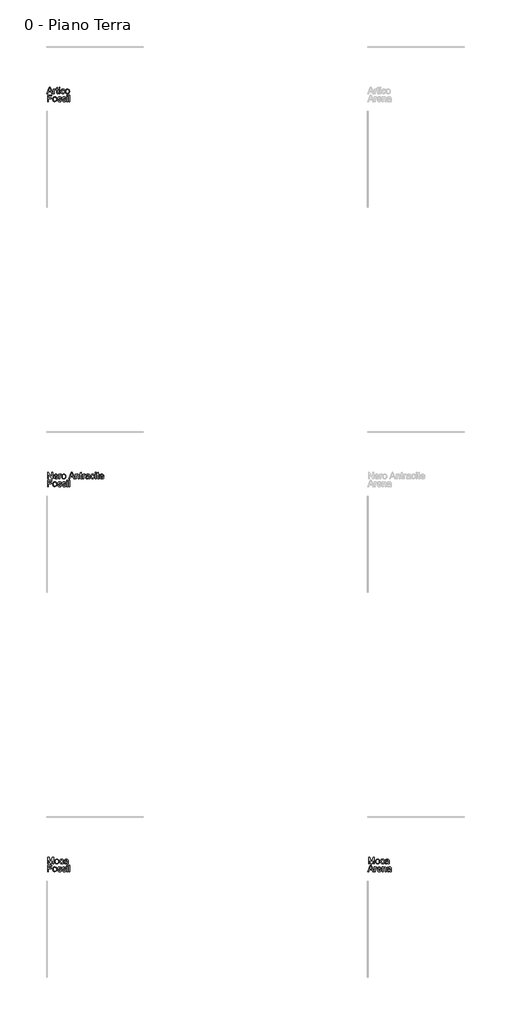
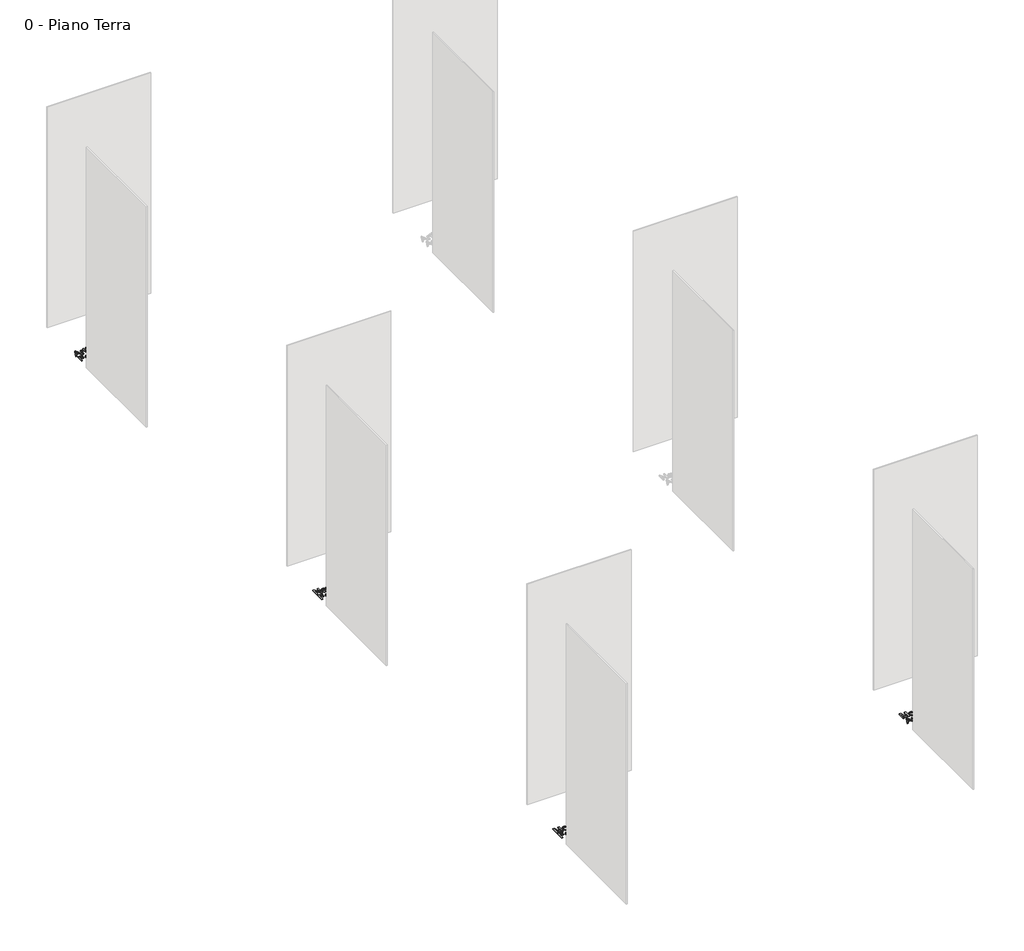
# One storey, part 10 of 35: 4 proxies.
"""IFC4 building model written with IfcOpenShell, lengths in millimetres."""

from ifc_helpers import new_model, si_unit, origin, origin_with_axes, place, context, project, spatial, polyline, outline, extrude, element, save

model = new_model("IFC4")

# Units and contexts
model_context = context("Model", 3, world=origin())
ifc_project = project(units=[si_unit("LENGTHUNIT", "METRE", prefix="MILLI")], contexts=[model_context])

# Site, building, storey
site = spatial("IfcSite", under=ifc_project)
building = spatial("IfcBuilding", under=site)
storey = spatial("IfcBuildingStorey", under=building, Name="0 - Piano Terra", Elevation=0.0)

# Proxies
placement = place(None, origin())
element("IfcBuildingElementProxy", 1, Name="Testo modello 1", ObjectType="Testo modello 1", at=placement, inside=storey, context=model_context, shape_type="SweptSolid", body=[
    extrude(outline(polyline([(-17279.9693984, -18273.7592352), (-17239.8702609, -18173.302925), (-17229.1771576, -18173.302925), (-17189.0780201, -18273.7592352), (-17202.3462974, -18273.7592352), (-17213.8487411, -18242.3666382), (-17255.2232028, -18242.3666382), (-17266.7011211, -18273.7592352), (-17279.9693984, -18273.7592352)]), holes=[polyline([(-17250.6124152, -18229.8095995), (-17218.4350033, -18229.8095995), (-17227.4849004, -18205.1124549), (-17234.5237092, -18185.8599638), (-17240.7777032, -18202.9542138), (-17250.6124152, -18229.8095995)])]), origin_with_axes(), (0.0, 0.0, 1.0), 10.0),
    extrude(outline(polyline([(-17177.2322199, -18273.7592352), (-17177.2322199, -18199.9866324), (-17166.2448109, -18199.9866324), (-17166.2448109, -18210.9004649), (-17158.4457126, -18200.8450237), (-17150.5975634, -18198.4170025), (-17137.9914737, -18202.2920262), (-17142.1853284, -18213.5492153), (-17151.0144963, -18210.9740413), (-17158.1146188, -18213.4511134), (-17162.6395674, -18220.318244), (-17164.6751811, -18234.9844729), (-17164.6751811, -18273.7592352), (-17177.2322199, -18273.7592352)])), origin_with_axes(), (0.0, 0.0, 1.0), 10.0),
    extrude(outline(polyline([(-17103.4596171, -18263.286861), (-17101.8899872, -18274.1271171), (-17111.2832408, -18275.328865), (-17121.8046659, -18273.2442004), (-17127.0531157, -18267.7750214), (-17128.5736946, -18253.5257254), (-17128.5736946, -18212.5436712), (-17137.9914737, -18212.5436712), (-17137.9914737, -18199.9866324), (-17128.5736946, -18199.9866324), (-17128.5736946, -18182.0585165), (-17116.0166559, -18174.6763511), (-17116.0166559, -18199.9866324), (-17103.4596171, -18199.9866324), (-17103.4596171, -18212.5436712), (-17116.0166559, -18212.5436712), (-17116.0166559, -18253.1578434), (-17115.3544683, -18259.6325665), (-17113.20849, -18261.9256976), (-17108.9287961, -18262.7718262), (-17103.4596171, -18263.286861)])), origin_with_axes(), (0.0, 0.0, 1.0), 10.0),
    extrude(outline(polyline([(-17090.9025783, -18185.8599638), (-17090.9025783, -18173.302925), (-17078.3455395, -18173.302925), (-17078.3455395, -18185.8599638), (-17090.9025783, -18185.8599638)])), origin_with_axes(), (0.0, 0.0, 1.0), 10.0),
    extrude(outline(polyline([(-17090.9025783, -18273.7592352), (-17090.9025783, -18199.9866324), (-17078.3455395, -18199.9866324), (-17078.3455395, -18273.7592352), (-17090.9025783, -18273.7592352)])), origin_with_axes(), (0.0, 0.0, 1.0), 10.0),
    extrude(outline(polyline([(-17012.421086, -18247.0755278), (-16999.8640472, -18248.6451576), (-17003.3650576, -18259.8134419), (-17009.9440139, -18268.253268), (-17018.9816483, -18273.5599657), (-17029.8586926, -18275.328865), (-17043.2158747, -18272.8609899), (-17053.6606577, -18265.4573648), (-17060.4020952, -18253.442952), (-17062.6492411, -18237.1427139), (-17058.8110056, -18216.2838048), (-17047.1123582, -18202.8806374), (-17030.0303708, -18198.4170025), (-17019.420041, -18199.9498442), (-17010.9372953, -18204.5483691), (-17004.851914, -18211.9673227), (-17001.4336771, -18221.9614502), (-17013.9907159, -18223.5310801), (-17019.8155141, -18214.1255637), (-17029.932269, -18210.9740413), (-17038.0471327, -18212.5252771), (-17044.4881333, -18217.1789843), (-17048.6911851, -18225.1865491), (-17050.0922023, -18236.7993574), (-17048.7218419, -18248.5685155), (-17044.6107606, -18256.6036714), (-17038.286256, -18261.2297875), (-17030.2756255, -18262.7718262), (-17018.442088, -18258.921328), (-17012.421086, -18247.0755278)])), origin_with_axes(), (0.0, 0.0, 1.0), 10.0),
    extrude(outline(polyline([(-16992.015898, -18236.8729338), (-16989.2997026, -18219.0858393), (-16981.1511164, -18206.5839828), (-16971.0834125, -18200.4587476), (-16959.0291458, -18198.4170025), (-16945.8375106, -18200.9032717), (-16935.3007571, -18208.3620791), (-16928.3937726, -18220.2048137), (-16926.0914445, -18235.8428642), (-16930.1626719, -18258.185564), (-16942.0207349, -18270.8284419), (-16959.0291458, -18275.328865), (-16972.3801965, -18272.8517929), (-16982.9046873, -18265.4205766), (-16989.7380953, -18253.3295217), (-16992.015898, -18236.8729338)]), holes=[polyline([(-16979.4588592, -18236.8484083), (-16978.0057254, -18248.2128963), (-16973.6463237, -18256.3093658), (-16967.0857615, -18261.1562111), (-16959.0291458, -18262.7718262), (-16951.0093183, -18261.1470141), (-16944.4610188, -18256.2725776), (-16940.1016171, -18248.0688092), (-16938.6484832, -18236.4560008), (-16940.1108142, -18225.4226067), (-16944.497807, -18217.4365017), (-16951.0553035, -18212.5896564), (-16959.0291458, -18210.9740413), (-16967.0857615, -18212.583525), (-16973.6463237, -18217.4119762), (-16978.0057254, -18225.4900517), (-16979.4588592, -18236.8484083)])]), origin_with_axes(), (0.0, 0.0, 1.0), 10.0),
    extrude(outline(polyline([(-17268.2707509, -18395.734053), (-17268.2707509, -18295.2777428), (-17200.7766675, -18295.2777428), (-17200.7766675, -18307.8347816), (-17255.7137122, -18307.8347816), (-17255.7137122, -18337.6577487), (-17208.6248168, -18337.6577487), (-17208.6248168, -18350.2147875), (-17255.7137122, -18350.2147875), (-17255.7137122, -18395.734053), (-17268.2707509, -18395.734053)])), origin_with_axes(), (0.0, 0.0, 1.0), 10.0),
    extrude(outline(polyline([(-17188.2196288, -18358.8477516), (-17185.5034334, -18341.0606571), (-17177.3548472, -18328.5588007), (-17167.2871432, -18322.4335655), (-17155.2328765, -18320.3918204), (-17142.0412413, -18322.8780895), (-17131.5044879, -18330.336897), (-17124.5975034, -18342.1796315), (-17122.2951752, -18357.817682), (-17126.3664027, -18380.1603819), (-17138.2244656, -18392.8032598), (-17155.2328765, -18397.3036828), (-17168.5839273, -18394.8266107), (-17179.108418, -18387.3953944), (-17185.9418261, -18375.3043395), (-17188.2196288, -18358.8477516)]), holes=[polyline([(-17175.66259, -18358.8232261), (-17174.2094561, -18370.1877141), (-17169.8500545, -18378.2841837), (-17163.2894922, -18383.131029), (-17155.2328765, -18384.7466441), (-17147.213049, -18383.1218319), (-17140.6647495, -18378.2473955), (-17136.3053479, -18370.043627), (-17134.852214, -18358.4308187), (-17136.3145449, -18347.3974245), (-17140.7015377, -18339.4113195), (-17147.2590343, -18334.5644742), (-17155.2328765, -18332.9488592), (-17163.2894922, -18334.5583429), (-17169.8500545, -18339.3867941), (-17174.2094561, -18347.4648695), (-17175.66259, -18358.8232261)])]), origin_with_axes(), (0.0, 0.0, 1.0), 10.0),
    extrude(outline(polyline([(-17112.8773962, -18373.7592352), (-17100.3203574, -18372.1896053), (-17094.5078219, -18381.5092825), (-17081.1904936, -18384.7466441), (-17068.3882002, -18381.7790626), (-17064.2188709, -18374.8138302), (-17068.4127257, -18369.1729729), (-17081.3376464, -18365.5922549), (-17100.246781, -18359.4486255), (-17108.4996004, -18352.2749266), (-17111.3077663, -18342.145909), (-17109.0514234, -18332.7894436), (-17102.8955314, -18325.6402702), (-17094.9124921, -18321.924662), (-17084.1090241, -18320.3918204), (-17068.8296586, -18322.8566298), (-17059.1175739, -18329.5275566), (-17054.8010919, -18340.7970084), (-17067.3581306, -18342.3666382), (-17072.0792829, -18335.438194), (-17083.1280055, -18332.9488592), (-17095.145484, -18335.3278294), (-17098.7507275, -18340.8705848), (-17097.2546741, -18344.5248793), (-17092.57031, -18347.296257), (-17081.7545794, -18349.9695328), (-17063.3236914, -18355.8801702), (-17054.7643037, -18362.5756225), (-17051.6618322, -18373.489455), (-17055.3038639, -18385.5069335), (-17065.8130262, -18394.2257368), (-17081.3621719, -18397.3036828), (-17094.0234439, -18395.8198921), (-17103.2634134, -18391.36852), (-17109.4315681, -18383.9986174), (-17112.8773962, -18373.7592352)])), origin_with_axes(), (0.0, 0.0, 1.0), 10.0),
    extrude(outline(polyline([(-17042.2440531, -18373.7592352), (-17029.6870143, -18372.1896053), (-17023.8744788, -18381.5092825), (-17010.5571506, -18384.7466441), (-16997.7548571, -18381.7790626), (-16993.5855279, -18374.8138302), (-16997.7793826, -18369.1729729), (-17010.7043034, -18365.5922549), (-17029.6134379, -18359.4486255), (-17037.8662573, -18352.2749266), (-17040.6744232, -18342.145909), (-17038.4180803, -18332.7894436), (-17032.2621883, -18325.6402702), (-17024.279149, -18321.924662), (-17013.4756811, -18320.3918204), (-16998.1963155, -18322.8566298), (-16988.4842309, -18329.5275566), (-16984.1677488, -18340.7970084), (-16996.7247876, -18342.3666382), (-17001.4459398, -18335.438194), (-17012.4946624, -18332.9488592), (-17024.5121409, -18335.3278294), (-17028.1173845, -18340.8705848), (-17026.621331, -18344.5248793), (-17021.936967, -18347.296257), (-17011.1212363, -18349.9695328), (-16992.6903483, -18355.8801702), (-16984.1309606, -18362.5756225), (-16981.0284891, -18373.489455), (-16984.6705208, -18385.5069335), (-16995.1796832, -18394.2257368), (-17010.7288288, -18397.3036828), (-17023.3901008, -18395.8198921), (-17032.6300703, -18391.36852), (-17038.7982251, -18383.9986174), (-17042.2440531, -18373.7592352)])), origin_with_axes(), (0.0, 0.0, 1.0), 10.0),
    extrude(outline(polyline([(-16966.9018205, -18307.8347816), (-16966.9018205, -18295.2777428), (-16954.3447817, -18295.2777428), (-16954.3447817, -18307.8347816), (-16966.9018205, -18307.8347816)])), origin_with_axes(), (0.0, 0.0, 1.0), 10.0),
    extrude(outline(polyline([(-16966.9018205, -18395.734053), (-16966.9018205, -18321.9614502), (-16954.3447817, -18321.9614502), (-16954.3447817, -18395.734053), (-16966.9018205, -18395.734053)])), origin_with_axes(), (0.0, 0.0, 1.0), 10.0),
    extrude(outline(polyline([(-16935.5092236, -18395.734053), (-16935.5092236, -18295.2777428), (-16922.9521848, -18295.2777428), (-16922.9521848, -18395.734053), (-16935.5092236, -18395.734053)])), origin_with_axes(), (0.0, 0.0, 1.0), 10.0),
])
element("IfcBuildingElementProxy", 2, Name="Testo modello 1", ObjectType="Testo modello 1", at=placement, inside=storey, context=model_context, shape_type="SweptSolid", body=[
    extrude(outline(polyline([(-17268.2707509, -24273.7592352), (-17268.2707509, -24173.302925), (-17254.8307954, -24173.302925), (-17202.3462974, -24252.8880633), (-17202.3462974, -24173.302925), (-17189.7892586, -24173.302925), (-17189.7892586, -24273.7592352), (-17203.2292142, -24273.7592352), (-17255.7137122, -24194.1495714), (-17255.7137122, -24273.7592352), (-17268.2707509, -24273.7592352)])), origin_with_axes(), (0.0, 0.0, 1.0), 10.0),
    extrude(outline(polyline([(-17117.7334385, -24251.7844173), (-17105.4216544, -24253.3540472), (-17109.8576981, -24262.6308048), (-17116.9363608, -24269.5653804), (-17126.498227, -24273.8879938), (-17138.3838812, -24275.328865), (-17153.1175551, -24272.8425958), (-17164.4544519, -24265.3837884), (-17171.6833331, -24253.4368206), (-17174.0929602, -24237.4860704), (-17171.6588076, -24220.9988257), (-17164.35635, -24208.6686475), (-17153.1727374, -24200.9799138), (-17139.0951197, -24198.4170025), (-17125.4558947, -24200.9737824), (-17114.5573906, -24208.644122), (-17107.4112829, -24220.9497747), (-17105.0292469, -24237.412494), (-17105.1028233, -24240.7970084), (-17161.5359214, -24240.7970084), (-17159.3623519, -24250.1963934), (-17154.3131716, -24257.1064435), (-17147.0260424, -24261.3554805), (-17138.1386265, -24262.7718262), (-17125.8268424, -24260.1476013), (-17117.7334385, -24251.7844173)]), holes=[polyline([(-17161.5359214, -24228.2399696), (-17117.5862857, -24228.2399696), (-17122.6140063, -24216.8601532), (-17129.934858, -24212.4455693), (-17139.1441706, -24210.9740413), (-17154.6074771, -24215.6706681), (-17159.4727165, -24221.1613069), (-17161.5359214, -24228.2399696)])]), origin_with_axes(), (0.0, 0.0, 1.0), 10.0),
    extrude(outline(polyline([(-17092.4722082, -24273.7592352), (-17092.4722082, -24199.9866324), (-17081.4847992, -24199.9866324), (-17081.4847992, -24210.9004649), (-17073.6857009, -24200.8450237), (-17065.8375517, -24198.4170025), (-17053.231462, -24202.2920262), (-17057.4253168, -24213.5492153), (-17066.2544846, -24210.9740413), (-17073.3546071, -24213.4511134), (-17077.8795557, -24220.318244), (-17079.9151694, -24234.9844729), (-17079.9151694, -24273.7592352), (-17092.4722082, -24273.7592352)])), origin_with_axes(), (0.0, 0.0, 1.0), 10.0),
    extrude(outline(polyline([(-17048.5225725, -24236.8729338), (-17045.8063771, -24219.0858393), (-17037.6577909, -24206.5839828), (-17027.5900869, -24200.4587476), (-17015.5358202, -24198.4170025), (-17002.344185, -24200.9032717), (-16991.8074315, -24208.3620791), (-16984.9004471, -24220.2048137), (-16982.5981189, -24235.8428642), (-16986.6693463, -24258.185564), (-16998.5274093, -24270.8284419), (-17015.5358202, -24275.328865), (-17028.886871, -24272.8517929), (-17039.4113617, -24265.4205766), (-17046.2447698, -24253.3295217), (-17048.5225725, -24236.8729338)]), holes=[polyline([(-17035.9655337, -24236.8484083), (-17034.5123998, -24248.2128963), (-17030.1529982, -24256.3093658), (-17023.5924359, -24261.1562111), (-17015.5358202, -24262.7718262), (-17007.5159927, -24261.1470141), (-17000.9676932, -24256.2725776), (-16996.6082916, -24248.0688092), (-16995.1551577, -24236.4560008), (-16996.6174886, -24225.4226067), (-17001.0044814, -24217.4365017), (-17007.561978, -24212.5896564), (-17015.5358202, -24210.9740413), (-17023.5924359, -24212.583525), (-17030.1529982, -24217.4119762), (-17034.5123998, -24225.4900517), (-17035.9655337, -24236.8484083)])]), origin_with_axes(), (0.0, 0.0, 1.0), 10.0),
    extrude(outline(polyline([(-16939.3597218, -24273.7592352), (-16899.2605843, -24173.302925), (-16888.567481, -24173.302925), (-16848.4683435, -24273.7592352), (-16861.7366208, -24273.7592352), (-16873.2390645, -24242.3666382), (-16914.6135262, -24242.3666382), (-16926.0914445, -24273.7592352), (-16939.3597218, -24273.7592352)]), holes=[polyline([(-16910.0027386, -24229.8095995), (-16877.8253267, -24229.8095995), (-16886.8752238, -24205.1124549), (-16893.9140326, -24185.8599638), (-16900.1680266, -24202.9542138), (-16910.0027386, -24229.8095995)])]), origin_with_axes(), (0.0, 0.0, 1.0), 10.0),
    extrude(outline(polyline([(-16836.6225433, -24273.7592352), (-16836.6225433, -24199.9866324), (-16824.0655045, -24199.9866324), (-16824.0655045, -24210.2873283), (-16814.4637844, -24201.384584), (-16801.3549226, -24198.4170025), (-16789.4968597, -24200.8082355), (-16781.4034558, -24207.0867549), (-16777.6387967, -24216.320593), (-16776.9766091, -24228.4606988), (-16776.9766091, -24273.7592352), (-16789.5336479, -24273.7592352), (-16789.5336479, -24230.152956), (-16790.9806504, -24219.0429197), (-16796.0942101, -24213.1690705), (-16804.7149115, -24210.9740413), (-16818.3388081, -24215.90366), (-16822.6338304, -24223.0467021), (-16824.0655045, -24234.6165909), (-16824.0655045, -24273.7592352), (-16836.6225433, -24273.7592352)])), origin_with_axes(), (0.0, 0.0, 1.0), 10.0),
    extrude(outline(polyline([(-16733.0269734, -24263.286861), (-16731.4573436, -24274.1271171), (-16740.8505972, -24275.328865), (-16751.3720222, -24273.2442004), (-16756.620472, -24267.7750214), (-16758.1410509, -24253.5257254), (-16758.1410509, -24212.5436712), (-16767.55883, -24212.5436712), (-16767.55883, -24199.9866324), (-16758.1410509, -24199.9866324), (-16758.1410509, -24182.0585165), (-16745.5840122, -24174.6763511), (-16745.5840122, -24199.9866324), (-16733.0269734, -24199.9866324), (-16733.0269734, -24212.5436712), (-16745.5840122, -24212.5436712), (-16745.5840122, -24253.1578434), (-16744.9218246, -24259.6325665), (-16742.7758463, -24261.9256976), (-16738.4961524, -24262.7718262), (-16733.0269734, -24263.286861)])), origin_with_axes(), (0.0, 0.0, 1.0), 10.0),
    extrude(outline(polyline([(-16720.4699346, -24273.7592352), (-16720.4699346, -24199.9866324), (-16709.4825257, -24199.9866324), (-16709.4825257, -24210.9004649), (-16701.6834274, -24200.8450237), (-16693.8352782, -24198.4170025), (-16681.2291885, -24202.2920262), (-16685.4230432, -24213.5492153), (-16694.2522111, -24210.9740413), (-16701.3523336, -24213.4511134), (-16705.8772822, -24220.318244), (-16707.9128959, -24234.9844729), (-16707.9128959, -24273.7592352), (-16720.4699346, -24273.7592352)])), origin_with_axes(), (0.0, 0.0, 1.0), 10.0),
    extrude(outline(polyline([(-16626.2921439, -24264.3414561), (-16638.4690379, -24272.8517929), (-16651.9212562, -24275.328865), (-16662.4150901, -24273.8389429), (-16670.1559404, -24269.3691767), (-16674.9292093, -24262.5817539), (-16676.5202989, -24254.1388621), (-16674.1168032, -24244.2060482), (-16667.8014957, -24236.9955611), (-16659.009116, -24232.8752828), (-16648.1443344, -24230.9868218), (-16626.3657203, -24226.6703398), (-16626.2921439, -24223.8744366), (-16629.7502346, -24214.6038103), (-16643.6316486, -24210.9740413), (-16656.3358401, -24213.3897997), (-16662.3936303, -24221.9614502), (-16674.9506691, -24220.3918204), (-16669.5182783, -24208.1290872), (-16658.5799203, -24200.9431256), (-16642.0129678, -24198.4170025), (-16626.7949159, -24200.64882), (-16618.19874, -24206.252889), (-16614.3482418, -24214.7754886), (-16613.7351051, -24225.7628975), (-16613.7351051, -24241.3856196), (-16613.097443, -24263.2010219), (-16610.5958454, -24273.7592352), (-16623.1528842, -24273.7592352), (-16626.2921439, -24264.3414561)]), holes=[polyline([(-16626.2921439, -24239.2273785), (-16646.5501791, -24243.0778768), (-16657.353647, -24245.1134905), (-16662.2464775, -24248.4244284), (-16663.9632602, -24253.2559453), (-16660.2231266, -24260.0494995), (-16649.2479804, -24262.7718262), (-16636.5437888, -24259.7674566), (-16628.352283, -24252.4956558), (-16626.3657203, -24242.7835712), (-16626.2921439, -24239.2273785)])]), origin_with_axes(), (0.0, 0.0, 1.0), 10.0),
    extrude(outline(polyline([(-16549.3802814, -24247.0755278), (-16536.8232426, -24248.6451576), (-16540.324253, -24259.8134419), (-16546.9032093, -24268.253268), (-16555.9408437, -24273.5599657), (-16566.817888, -24275.328865), (-16580.1750701, -24272.8609899), (-16590.6198531, -24265.4573648), (-16597.3612906, -24253.442952), (-16599.6084365, -24237.1427139), (-16595.770201, -24216.2838048), (-16584.0715536, -24202.8806374), (-16566.9895663, -24198.4170025), (-16556.3792364, -24199.9498442), (-16547.8964907, -24204.5483691), (-16541.8111094, -24211.9673227), (-16538.3928725, -24221.9614502), (-16550.9499113, -24223.5310801), (-16556.7747095, -24214.1255637), (-16566.8914644, -24210.9740413), (-16575.0063281, -24212.5252771), (-16581.4473287, -24217.1789843), (-16585.6503805, -24225.1865491), (-16587.0513977, -24236.7993574), (-16585.6810373, -24248.5685155), (-16581.569956, -24256.6036714), (-16575.2454514, -24261.2297875), (-16567.2348209, -24262.7718262), (-16555.4012834, -24258.921328), (-16549.3802814, -24247.0755278)])), origin_with_axes(), (0.0, 0.0, 1.0), 10.0),
    extrude(outline(polyline([(-16525.8358337, -24273.7592352), (-16525.8358337, -24199.9866324), (-16513.278795, -24199.9866324), (-16513.278795, -24273.7592352), (-16525.8358337, -24273.7592352)])), origin_with_axes(), (0.0, 0.0, 1.0), 10.0),
    extrude(outline(polyline([(-16525.8358337, -24185.8599638), (-16525.8358337, -24173.302925), (-16513.278795, -24173.302925), (-16513.278795, -24185.8599638), (-16525.8358337, -24185.8599638)])), origin_with_axes(), (0.0, 0.0, 1.0), 10.0),
    extrude(outline(polyline([(-16467.7595294, -24263.286861), (-16466.1898996, -24274.1271171), (-16475.5831532, -24275.328865), (-16486.1045782, -24273.2442004), (-16491.353028, -24267.7750214), (-16492.873607, -24253.5257254), (-16492.873607, -24212.5436712), (-16502.291386, -24212.5436712), (-16502.291386, -24199.9866324), (-16492.873607, -24199.9866324), (-16492.873607, -24182.0585165), (-16480.3165682, -24174.6763511), (-16480.3165682, -24199.9866324), (-16467.7595294, -24199.9866324), (-16467.7595294, -24212.5436712), (-16480.3165682, -24212.5436712), (-16480.3165682, -24253.1578434), (-16479.6543806, -24259.6325665), (-16477.5084023, -24261.9256976), (-16473.2287084, -24262.7718262), (-16467.7595294, -24263.286861)])), origin_with_axes(), (0.0, 0.0, 1.0), 10.0),
    extrude(outline(polyline([(-16403.5518585, -24251.7844173), (-16391.2400744, -24253.3540472), (-16395.6761181, -24262.6308048), (-16402.7547809, -24269.5653804), (-16412.3166471, -24273.8879938), (-16424.2023012, -24275.328865), (-16438.9359751, -24272.8425958), (-16450.2728719, -24265.3837884), (-16457.5017531, -24253.4368206), (-16459.9113802, -24237.4860704), (-16457.4772277, -24220.9988257), (-16450.1747701, -24208.6686475), (-16438.9911574, -24200.9799138), (-16424.9135397, -24198.4170025), (-16411.2743147, -24200.9737824), (-16400.3758106, -24208.644122), (-16393.2297029, -24220.9497747), (-16390.847667, -24237.412494), (-16390.9212434, -24240.7970084), (-16447.3543414, -24240.7970084), (-16445.180772, -24250.1963934), (-16440.1315916, -24257.1064435), (-16432.8444624, -24261.3554805), (-16423.9570465, -24262.7718262), (-16411.6452624, -24260.1476013), (-16403.5518585, -24251.7844173)]), holes=[polyline([(-16447.3543414, -24228.2399696), (-16403.4047057, -24228.2399696), (-16408.4324263, -24216.8601532), (-16415.753278, -24212.4455693), (-16424.9625906, -24210.9740413), (-16440.4258972, -24215.6706681), (-16445.2911366, -24221.1613069), (-16447.3543414, -24228.2399696)])]), origin_with_axes(), (0.0, 0.0, 1.0), 10.0),
    extrude(outline(polyline([(-17268.2707509, -24395.734053), (-17268.2707509, -24295.2777428), (-17200.7766675, -24295.2777428), (-17200.7766675, -24307.8347816), (-17255.7137122, -24307.8347816), (-17255.7137122, -24337.6577487), (-17208.6248168, -24337.6577487), (-17208.6248168, -24350.2147875), (-17255.7137122, -24350.2147875), (-17255.7137122, -24395.734053), (-17268.2707509, -24395.734053)])), origin_with_axes(), (0.0, 0.0, 1.0), 10.0),
    extrude(outline(polyline([(-17188.2196288, -24358.8477516), (-17185.5034334, -24341.0606571), (-17177.3548472, -24328.5588007), (-17167.2871432, -24322.4335655), (-17155.2328765, -24320.3918204), (-17142.0412413, -24322.8780895), (-17131.5044879, -24330.336897), (-17124.5975034, -24342.1796315), (-17122.2951752, -24357.817682), (-17126.3664027, -24380.1603819), (-17138.2244656, -24392.8032598), (-17155.2328765, -24397.3036828), (-17168.5839273, -24394.8266107), (-17179.108418, -24387.3953944), (-17185.9418261, -24375.3043395), (-17188.2196288, -24358.8477516)]), holes=[polyline([(-17175.66259, -24358.8232261), (-17174.2094561, -24370.1877141), (-17169.8500545, -24378.2841837), (-17163.2894922, -24383.131029), (-17155.2328765, -24384.7466441), (-17147.213049, -24383.1218319), (-17140.6647495, -24378.2473955), (-17136.3053479, -24370.043627), (-17134.852214, -24358.4308187), (-17136.3145449, -24347.3974245), (-17140.7015377, -24339.4113195), (-17147.2590343, -24334.5644742), (-17155.2328765, -24332.9488592), (-17163.2894922, -24334.5583429), (-17169.8500545, -24339.3867941), (-17174.2094561, -24347.4648695), (-17175.66259, -24358.8232261)])]), origin_with_axes(), (0.0, 0.0, 1.0), 10.0),
    extrude(outline(polyline([(-17112.8773962, -24373.7592352), (-17100.3203574, -24372.1896053), (-17094.5078219, -24381.5092825), (-17081.1904936, -24384.7466441), (-17068.3882002, -24381.7790626), (-17064.2188709, -24374.8138302), (-17068.4127257, -24369.1729729), (-17081.3376464, -24365.5922549), (-17100.246781, -24359.4486255), (-17108.4996004, -24352.2749266), (-17111.3077663, -24342.145909), (-17109.0514234, -24332.7894436), (-17102.8955314, -24325.6402702), (-17094.9124921, -24321.924662), (-17084.1090241, -24320.3918204), (-17068.8296586, -24322.8566298), (-17059.1175739, -24329.5275566), (-17054.8010919, -24340.7970084), (-17067.3581306, -24342.3666382), (-17072.0792829, -24335.438194), (-17083.1280055, -24332.9488592), (-17095.145484, -24335.3278294), (-17098.7507275, -24340.8705848), (-17097.2546741, -24344.5248793), (-17092.57031, -24347.296257), (-17081.7545794, -24349.9695328), (-17063.3236914, -24355.8801702), (-17054.7643037, -24362.5756225), (-17051.6618322, -24373.489455), (-17055.3038639, -24385.5069335), (-17065.8130262, -24394.2257368), (-17081.3621719, -24397.3036828), (-17094.0234439, -24395.8198921), (-17103.2634134, -24391.36852), (-17109.4315681, -24383.9986174), (-17112.8773962, -24373.7592352)])), origin_with_axes(), (0.0, 0.0, 1.0), 10.0),
    extrude(outline(polyline([(-17042.2440531, -24373.7592352), (-17029.6870143, -24372.1896053), (-17023.8744788, -24381.5092825), (-17010.5571506, -24384.7466441), (-16997.7548571, -24381.7790626), (-16993.5855279, -24374.8138302), (-16997.7793826, -24369.1729729), (-17010.7043034, -24365.5922549), (-17029.6134379, -24359.4486255), (-17037.8662573, -24352.2749266), (-17040.6744232, -24342.145909), (-17038.4180803, -24332.7894436), (-17032.2621883, -24325.6402702), (-17024.279149, -24321.924662), (-17013.4756811, -24320.3918204), (-16998.1963155, -24322.8566298), (-16988.4842309, -24329.5275566), (-16984.1677488, -24340.7970084), (-16996.7247876, -24342.3666382), (-17001.4459398, -24335.438194), (-17012.4946624, -24332.9488592), (-17024.5121409, -24335.3278294), (-17028.1173845, -24340.8705848), (-17026.621331, -24344.5248793), (-17021.936967, -24347.296257), (-17011.1212363, -24349.9695328), (-16992.6903483, -24355.8801702), (-16984.1309606, -24362.5756225), (-16981.0284891, -24373.489455), (-16984.6705208, -24385.5069335), (-16995.1796832, -24394.2257368), (-17010.7288288, -24397.3036828), (-17023.3901008, -24395.8198921), (-17032.6300703, -24391.36852), (-17038.7982251, -24383.9986174), (-17042.2440531, -24373.7592352)])), origin_with_axes(), (0.0, 0.0, 1.0), 10.0),
    extrude(outline(polyline([(-16966.9018205, -24307.8347816), (-16966.9018205, -24295.2777428), (-16954.3447817, -24295.2777428), (-16954.3447817, -24307.8347816), (-16966.9018205, -24307.8347816)])), origin_with_axes(), (0.0, 0.0, 1.0), 10.0),
    extrude(outline(polyline([(-16966.9018205, -24395.734053), (-16966.9018205, -24321.9614502), (-16954.3447817, -24321.9614502), (-16954.3447817, -24395.734053), (-16966.9018205, -24395.734053)])), origin_with_axes(), (0.0, 0.0, 1.0), 10.0),
    extrude(outline(polyline([(-16935.5092236, -24395.734053), (-16935.5092236, -24295.2777428), (-16922.9521848, -24295.2777428), (-16922.9521848, -24395.734053), (-16935.5092236, -24395.734053)])), origin_with_axes(), (0.0, 0.0, 1.0), 10.0),
])
element("IfcBuildingElementProxy", 3, Name="Testo modello 1", ObjectType="Testo modello 1", at=placement, inside=storey, context=model_context, shape_type="SweptSolid", body=[
    extrude(outline(polyline([(-12268.2707509, -30273.7592352), (-12268.2707509, -30173.302925), (-12246.6638151, -30173.302925), (-12226.1114743, -30244.1079463), (-12221.9666705, -30258.8968025), (-12217.4785101, -30242.881673), (-12197.2695259, -30173.302925), (-12175.66259, -30173.302925), (-12175.66259, -30273.7592352), (-12188.2196288, -30273.7592352), (-12188.2196288, -30185.8599638), (-12213.4563336, -30273.7592352), (-12230.4770073, -30273.7592352), (-12255.7137122, -30185.8599638), (-12255.7137122, -30273.7592352), (-12268.2707509, -30273.7592352)])), origin_with_axes(), (0.0, 0.0, 1.0), 10.0),
    extrude(outline(polyline([(-12158.3966617, -30236.8729338), (-12155.6804663, -30219.0858393), (-12147.5318801, -30206.5839828), (-12137.4641762, -30200.4587476), (-12125.4099095, -30198.4170025), (-12112.2182743, -30200.9032717), (-12101.6815208, -30208.3620791), (-12094.7745363, -30220.2048137), (-12092.4722082, -30235.8428642), (-12096.5434356, -30258.185564), (-12108.4014986, -30270.8284419), (-12125.4099095, -30275.328865), (-12138.7609602, -30272.8517929), (-12149.285451, -30265.4205766), (-12156.118859, -30253.3295217), (-12158.3966617, -30236.8729338)]), holes=[polyline([(-12145.8396229, -30236.8484083), (-12144.386489, -30248.2128963), (-12140.0270874, -30256.3093658), (-12133.4665252, -30261.1562111), (-12125.4099095, -30262.7718262), (-12117.390082, -30261.1470141), (-12110.8417825, -30256.2725776), (-12106.4823808, -30248.0688092), (-12105.0292469, -30236.4560008), (-12106.4915779, -30225.4226067), (-12110.8785707, -30217.4365017), (-12117.4360672, -30212.5896564), (-12125.4099095, -30210.9740413), (-12133.4665252, -30212.583525), (-12140.0270874, -30217.4119762), (-12144.386489, -30225.4900517), (-12145.8396229, -30236.8484083)])]), origin_with_axes(), (0.0, 0.0, 1.0), 10.0),
    extrude(outline(polyline([(-12031.2566442, -30247.0755278), (-12018.6996054, -30248.6451576), (-12022.2006157, -30259.8134419), (-12028.7795721, -30268.253268), (-12037.8172064, -30273.5599657), (-12048.6942507, -30275.328865), (-12062.0514328, -30272.8609899), (-12072.4962158, -30265.4573648), (-12079.2376534, -30253.442952), (-12081.4847992, -30237.1427139), (-12077.6465638, -30216.2838048), (-12065.9479163, -30202.8806374), (-12048.865929, -30198.4170025), (-12038.2555991, -30199.9498442), (-12029.7728535, -30204.5483691), (-12023.6874721, -30211.9673227), (-12020.2692352, -30221.9614502), (-12032.826274, -30223.5310801), (-12038.6510723, -30214.1255637), (-12048.7678271, -30210.9740413), (-12056.8826908, -30212.5252771), (-12063.3236914, -30217.1789843), (-12067.5267432, -30225.1865491), (-12068.9277605, -30236.7993574), (-12067.5574, -30248.5685155), (-12063.4463187, -30256.6036714), (-12057.1218141, -30261.2297875), (-12049.1111837, -30262.7718262), (-12037.2776462, -30258.921328), (-12031.2566442, -30247.0755278)])), origin_with_axes(), (0.0, 0.0, 1.0), 10.0),
    extrude(outline(polyline([(-11960.6233011, -30264.3414561), (-11972.8001951, -30272.8517929), (-11986.2524134, -30275.328865), (-11996.7462473, -30273.8389429), (-12004.4870976, -30269.3691767), (-12009.2603665, -30262.5817539), (-12010.8514562, -30254.1388621), (-12008.4479605, -30244.2060482), (-12002.1326529, -30236.9955611), (-11993.3402732, -30232.8752828), (-11982.4754916, -30230.9868218), (-11960.6968775, -30226.6703398), (-11960.6233011, -30223.8744366), (-11964.0813918, -30214.6038103), (-11977.9628058, -30210.9740413), (-11990.6669974, -30213.3897997), (-11996.7247876, -30221.9614502), (-12009.2818263, -30220.3918204), (-12003.8494355, -30208.1290872), (-11992.9110775, -30200.9431256), (-11976.344125, -30198.4170025), (-11961.1260732, -30200.64882), (-11952.5298972, -30206.252889), (-11948.679399, -30214.7754886), (-11948.0662623, -30225.7628975), (-11948.0662623, -30241.3856196), (-11947.4286002, -30263.2010219), (-11944.9270026, -30273.7592352), (-11957.4840414, -30273.7592352), (-11960.6233011, -30264.3414561)]), holes=[polyline([(-11960.6233011, -30239.2273785), (-11980.8813363, -30243.0778768), (-11991.6848042, -30245.1134905), (-11996.5776348, -30248.4244284), (-11998.2944174, -30253.2559453), (-11994.5542838, -30260.0494995), (-11983.5791376, -30262.7718262), (-11970.874946, -30259.7674566), (-11962.6834403, -30252.4956558), (-11960.6968775, -30242.7835712), (-11960.6233011, -30239.2273785)])]), origin_with_axes(), (0.0, 0.0, 1.0), 10.0),
    extrude(outline(polyline([(-12279.9693984, -30395.734053), (-12239.8702609, -30295.2777428), (-12229.1771576, -30295.2777428), (-12189.0780201, -30395.734053), (-12202.3462974, -30395.734053), (-12213.8487411, -30364.3414561), (-12255.2232028, -30364.3414561), (-12266.7011211, -30395.734053), (-12279.9693984, -30395.734053)]), holes=[polyline([(-12250.6124152, -30351.7844173), (-12218.4350033, -30351.7844173), (-12227.4849004, -30327.0872727), (-12234.5237092, -30307.8347816), (-12240.7777032, -30324.9290317), (-12250.6124152, -30351.7844173)])]), origin_with_axes(), (0.0, 0.0, 1.0), 10.0),
    extrude(outline(polyline([(-12177.2322199, -30395.734053), (-12177.2322199, -30321.9614502), (-12166.2448109, -30321.9614502), (-12166.2448109, -30332.8752828), (-12158.4457126, -30322.8198416), (-12150.5975634, -30320.3918204), (-12137.9914737, -30324.2668441), (-12142.1853284, -30335.5240331), (-12151.0144963, -30332.9488592), (-12158.1146188, -30335.4259313), (-12162.6395674, -30342.2930618), (-12164.6751811, -30356.9592907), (-12164.6751811, -30395.734053), (-12177.2322199, -30395.734053)])), origin_with_axes(), (0.0, 0.0, 1.0), 10.0),
    extrude(outline(polyline([(-12078.4926923, -30373.7592352), (-12066.1809082, -30375.328865), (-12070.616952, -30384.6056226), (-12077.6956147, -30391.5401983), (-12087.2574809, -30395.8628117), (-12099.143135, -30397.3036828), (-12113.8768089, -30394.8174137), (-12125.2137057, -30387.3586062), (-12132.4425869, -30375.4116384), (-12134.852214, -30359.4608883), (-12132.4180615, -30342.9736435), (-12125.1156039, -30330.6434653), (-12113.9319912, -30322.9547316), (-12099.8543735, -30320.3918204), (-12086.2151486, -30322.9486003), (-12075.3166445, -30330.6189399), (-12068.1705367, -30342.9245926), (-12065.7885008, -30359.3873119), (-12065.8620772, -30362.7718262), (-12122.2951752, -30362.7718262), (-12120.1216058, -30372.1712112), (-12115.0724254, -30379.0812613), (-12107.7852962, -30383.3302984), (-12098.8978803, -30384.7466441), (-12086.5860962, -30382.1224192), (-12078.4926923, -30373.7592352)]), holes=[polyline([(-12122.2951752, -30350.2147875), (-12078.3455395, -30350.2147875), (-12083.3732601, -30338.8349711), (-12090.6941119, -30334.4203871), (-12099.9034245, -30332.9488592), (-12115.366731, -30337.645486), (-12120.2319704, -30343.1361247), (-12122.2951752, -30350.2147875)])]), origin_with_axes(), (0.0, 0.0, 1.0), 10.0),
    extrude(outline(polyline([(-12053.231462, -30395.734053), (-12053.231462, -30321.9614502), (-12040.6744232, -30321.9614502), (-12040.6744232, -30332.2621461), (-12031.0727032, -30323.3594018), (-12017.9638414, -30320.3918204), (-12006.1057784, -30322.7830534), (-11998.0123745, -30329.0615727), (-11994.2477155, -30338.2954108), (-11993.5855279, -30350.4355167), (-11993.5855279, -30395.734053), (-12006.1425666, -30395.734053), (-12006.1425666, -30352.1277738), (-12007.5895691, -30341.0177376), (-12012.7031289, -30335.1438884), (-12021.3238303, -30332.9488592), (-12034.9477269, -30337.8784779), (-12039.2427491, -30345.02152), (-12040.6744232, -30356.5914087), (-12040.6744232, -30395.734053), (-12053.231462, -30395.734053)])), origin_with_axes(), (0.0, 0.0, 1.0), 10.0),
    extrude(outline(polyline([(-11929.2307042, -30386.3162739), (-11941.4075982, -30394.8266107), (-11954.8598165, -30397.3036828), (-11965.3536504, -30395.8137608), (-11973.0945007, -30391.3439945), (-11977.8677696, -30384.5565717), (-11979.4588592, -30376.1136799), (-11977.0553635, -30366.1808661), (-11970.740056, -30358.9703789), (-11961.9476763, -30354.8501006), (-11951.0828947, -30352.9616397), (-11929.3042806, -30348.6451576), (-11929.2307042, -30345.8492545), (-11932.6887949, -30336.5786282), (-11946.5702089, -30332.9488592), (-11959.2744004, -30335.3646176), (-11965.3321906, -30343.9362681), (-11977.8892294, -30342.3666382), (-11972.4568386, -30330.1039051), (-11961.5184806, -30322.9179434), (-11944.9515281, -30320.3918204), (-11929.7334762, -30322.6236378), (-11921.1373003, -30328.2277069), (-11917.2868021, -30336.7503064), (-11916.6736654, -30347.7377154), (-11916.6736654, -30363.3604374), (-11916.0360033, -30385.1758397), (-11913.5344057, -30395.734053), (-11926.0914445, -30395.734053), (-11929.2307042, -30386.3162739)]), holes=[polyline([(-11929.2307042, -30361.2021964), (-11949.4887394, -30365.0526946), (-11960.2922073, -30367.0883083), (-11965.1850378, -30370.3992463), (-11966.9018205, -30375.2307631), (-11963.1616869, -30382.0243173), (-11952.1865407, -30384.7466441), (-11939.4823491, -30381.7422744), (-11931.2908433, -30374.4704737), (-11929.3042806, -30364.758389), (-11929.2307042, -30361.2021964)])]), origin_with_axes(), (0.0, 0.0, 1.0), 10.0),
])
element("IfcBuildingElementProxy", 4, Name="Testo modello 1", ObjectType="Testo modello 1", at=placement, inside=storey, context=model_context, shape_type="SweptSolid", body=[
    extrude(outline(polyline([(-17268.2707509, -30273.7592352), (-17268.2707509, -30173.302925), (-17246.6638151, -30173.302925), (-17226.1114743, -30244.1079463), (-17221.9666705, -30258.8968025), (-17217.4785101, -30242.881673), (-17197.2695259, -30173.302925), (-17175.66259, -30173.302925), (-17175.66259, -30273.7592352), (-17188.2196288, -30273.7592352), (-17188.2196288, -30185.8599638), (-17213.4563336, -30273.7592352), (-17230.4770073, -30273.7592352), (-17255.7137122, -30185.8599638), (-17255.7137122, -30273.7592352), (-17268.2707509, -30273.7592352)])), origin_with_axes(), (0.0, 0.0, 1.0), 10.0),
    extrude(outline(polyline([(-17158.3966617, -30236.8729338), (-17155.6804663, -30219.0858393), (-17147.5318801, -30206.5839828), (-17137.4641762, -30200.4587476), (-17125.4099095, -30198.4170025), (-17112.2182743, -30200.9032717), (-17101.6815208, -30208.3620791), (-17094.7745363, -30220.2048137), (-17092.4722082, -30235.8428642), (-17096.5434356, -30258.185564), (-17108.4014986, -30270.8284419), (-17125.4099095, -30275.328865), (-17138.7609602, -30272.8517929), (-17149.285451, -30265.4205766), (-17156.118859, -30253.3295217), (-17158.3966617, -30236.8729338)]), holes=[polyline([(-17145.8396229, -30236.8484083), (-17144.386489, -30248.2128963), (-17140.0270874, -30256.3093658), (-17133.4665252, -30261.1562111), (-17125.4099095, -30262.7718262), (-17117.390082, -30261.1470141), (-17110.8417825, -30256.2725776), (-17106.4823808, -30248.0688092), (-17105.0292469, -30236.4560008), (-17106.4915779, -30225.4226067), (-17110.8785707, -30217.4365017), (-17117.4360672, -30212.5896564), (-17125.4099095, -30210.9740413), (-17133.4665252, -30212.583525), (-17140.0270874, -30217.4119762), (-17144.386489, -30225.4900517), (-17145.8396229, -30236.8484083)])]), origin_with_axes(), (0.0, 0.0, 1.0), 10.0),
    extrude(outline(polyline([(-17031.2566442, -30247.0755278), (-17018.6996054, -30248.6451576), (-17022.2006157, -30259.8134419), (-17028.7795721, -30268.253268), (-17037.8172064, -30273.5599657), (-17048.6942507, -30275.328865), (-17062.0514328, -30272.8609899), (-17072.4962158, -30265.4573648), (-17079.2376534, -30253.442952), (-17081.4847992, -30237.1427139), (-17077.6465638, -30216.2838048), (-17065.9479163, -30202.8806374), (-17048.865929, -30198.4170025), (-17038.2555991, -30199.9498442), (-17029.7728535, -30204.5483691), (-17023.6874721, -30211.9673227), (-17020.2692352, -30221.9614502), (-17032.826274, -30223.5310801), (-17038.6510723, -30214.1255637), (-17048.7678271, -30210.9740413), (-17056.8826908, -30212.5252771), (-17063.3236914, -30217.1789843), (-17067.5267432, -30225.1865491), (-17068.9277605, -30236.7993574), (-17067.5574, -30248.5685155), (-17063.4463187, -30256.6036714), (-17057.1218141, -30261.2297875), (-17049.1111837, -30262.7718262), (-17037.2776462, -30258.921328), (-17031.2566442, -30247.0755278)])), origin_with_axes(), (0.0, 0.0, 1.0), 10.0),
    extrude(outline(polyline([(-16960.6233011, -30264.3414561), (-16972.8001951, -30272.8517929), (-16986.2524134, -30275.328865), (-16996.7462473, -30273.8389429), (-17004.4870976, -30269.3691767), (-17009.2603665, -30262.5817539), (-17010.8514562, -30254.1388621), (-17008.4479605, -30244.2060482), (-17002.1326529, -30236.9955611), (-16993.3402732, -30232.8752828), (-16982.4754916, -30230.9868218), (-16960.6968775, -30226.6703398), (-16960.6233011, -30223.8744366), (-16964.0813918, -30214.6038103), (-16977.9628058, -30210.9740413), (-16990.6669974, -30213.3897997), (-16996.7247876, -30221.9614502), (-17009.2818263, -30220.3918204), (-17003.8494355, -30208.1290872), (-16992.9110775, -30200.9431256), (-16976.344125, -30198.4170025), (-16961.1260732, -30200.64882), (-16952.5298972, -30206.252889), (-16948.679399, -30214.7754886), (-16948.0662623, -30225.7628975), (-16948.0662623, -30241.3856196), (-16947.4286002, -30263.2010219), (-16944.9270026, -30273.7592352), (-16957.4840414, -30273.7592352), (-16960.6233011, -30264.3414561)]), holes=[polyline([(-16960.6233011, -30239.2273785), (-16980.8813363, -30243.0778768), (-16991.6848042, -30245.1134905), (-16996.5776348, -30248.4244284), (-16998.2944174, -30253.2559453), (-16994.5542838, -30260.0494995), (-16983.5791376, -30262.7718262), (-16970.874946, -30259.7674566), (-16962.6834403, -30252.4956558), (-16960.6968775, -30242.7835712), (-16960.6233011, -30239.2273785)])]), origin_with_axes(), (0.0, 0.0, 1.0), 10.0),
    extrude(outline(polyline([(-17268.2707509, -30395.734053), (-17268.2707509, -30295.2777428), (-17200.7766675, -30295.2777428), (-17200.7766675, -30307.8347816), (-17255.7137122, -30307.8347816), (-17255.7137122, -30337.6577487), (-17208.6248168, -30337.6577487), (-17208.6248168, -30350.2147875), (-17255.7137122, -30350.2147875), (-17255.7137122, -30395.734053), (-17268.2707509, -30395.734053)])), origin_with_axes(), (0.0, 0.0, 1.0), 10.0),
    extrude(outline(polyline([(-17188.2196288, -30358.8477516), (-17185.5034334, -30341.0606571), (-17177.3548472, -30328.5588007), (-17167.2871432, -30322.4335655), (-17155.2328765, -30320.3918204), (-17142.0412413, -30322.8780895), (-17131.5044879, -30330.336897), (-17124.5975034, -30342.1796315), (-17122.2951752, -30357.817682), (-17126.3664027, -30380.1603819), (-17138.2244656, -30392.8032598), (-17155.2328765, -30397.3036828), (-17168.5839273, -30394.8266107), (-17179.108418, -30387.3953944), (-17185.9418261, -30375.3043395), (-17188.2196288, -30358.8477516)]), holes=[polyline([(-17175.66259, -30358.8232261), (-17174.2094561, -30370.1877141), (-17169.8500545, -30378.2841837), (-17163.2894922, -30383.131029), (-17155.2328765, -30384.7466441), (-17147.213049, -30383.1218319), (-17140.6647495, -30378.2473955), (-17136.3053479, -30370.043627), (-17134.852214, -30358.4308187), (-17136.3145449, -30347.3974245), (-17140.7015377, -30339.4113195), (-17147.2590343, -30334.5644742), (-17155.2328765, -30332.9488592), (-17163.2894922, -30334.5583429), (-17169.8500545, -30339.3867941), (-17174.2094561, -30347.4648695), (-17175.66259, -30358.8232261)])]), origin_with_axes(), (0.0, 0.0, 1.0), 10.0),
    extrude(outline(polyline([(-17112.8773962, -30373.7592352), (-17100.3203574, -30372.1896053), (-17094.5078219, -30381.5092825), (-17081.1904936, -30384.7466441), (-17068.3882002, -30381.7790626), (-17064.2188709, -30374.8138302), (-17068.4127257, -30369.1729729), (-17081.3376464, -30365.5922549), (-17100.246781, -30359.4486255), (-17108.4996004, -30352.2749266), (-17111.3077663, -30342.145909), (-17109.0514234, -30332.7894436), (-17102.8955314, -30325.6402702), (-17094.9124921, -30321.924662), (-17084.1090241, -30320.3918204), (-17068.8296586, -30322.8566298), (-17059.1175739, -30329.5275566), (-17054.8010919, -30340.7970084), (-17067.3581306, -30342.3666382), (-17072.0792829, -30335.438194), (-17083.1280055, -30332.9488592), (-17095.145484, -30335.3278294), (-17098.7507275, -30340.8705848), (-17097.2546741, -30344.5248793), (-17092.57031, -30347.296257), (-17081.7545794, -30349.9695328), (-17063.3236914, -30355.8801702), (-17054.7643037, -30362.5756225), (-17051.6618322, -30373.489455), (-17055.3038639, -30385.5069335), (-17065.8130262, -30394.2257368), (-17081.3621719, -30397.3036828), (-17094.0234439, -30395.8198921), (-17103.2634134, -30391.36852), (-17109.4315681, -30383.9986174), (-17112.8773962, -30373.7592352)])), origin_with_axes(), (0.0, 0.0, 1.0), 10.0),
    extrude(outline(polyline([(-17042.2440531, -30373.7592352), (-17029.6870143, -30372.1896053), (-17023.8744788, -30381.5092825), (-17010.5571506, -30384.7466441), (-16997.7548571, -30381.7790626), (-16993.5855279, -30374.8138302), (-16997.7793826, -30369.1729729), (-17010.7043034, -30365.5922549), (-17029.6134379, -30359.4486255), (-17037.8662573, -30352.2749266), (-17040.6744232, -30342.145909), (-17038.4180803, -30332.7894436), (-17032.2621883, -30325.6402702), (-17024.279149, -30321.924662), (-17013.4756811, -30320.3918204), (-16998.1963155, -30322.8566298), (-16988.4842309, -30329.5275566), (-16984.1677488, -30340.7970084), (-16996.7247876, -30342.3666382), (-17001.4459398, -30335.438194), (-17012.4946624, -30332.9488592), (-17024.5121409, -30335.3278294), (-17028.1173845, -30340.8705848), (-17026.621331, -30344.5248793), (-17021.936967, -30347.296257), (-17011.1212363, -30349.9695328), (-16992.6903483, -30355.8801702), (-16984.1309606, -30362.5756225), (-16981.0284891, -30373.489455), (-16984.6705208, -30385.5069335), (-16995.1796832, -30394.2257368), (-17010.7288288, -30397.3036828), (-17023.3901008, -30395.8198921), (-17032.6300703, -30391.36852), (-17038.7982251, -30383.9986174), (-17042.2440531, -30373.7592352)])), origin_with_axes(), (0.0, 0.0, 1.0), 10.0),
    extrude(outline(polyline([(-16966.9018205, -30307.8347816), (-16966.9018205, -30295.2777428), (-16954.3447817, -30295.2777428), (-16954.3447817, -30307.8347816), (-16966.9018205, -30307.8347816)])), origin_with_axes(), (0.0, 0.0, 1.0), 10.0),
    extrude(outline(polyline([(-16966.9018205, -30395.734053), (-16966.9018205, -30321.9614502), (-16954.3447817, -30321.9614502), (-16954.3447817, -30395.734053), (-16966.9018205, -30395.734053)])), origin_with_axes(), (0.0, 0.0, 1.0), 10.0),
    extrude(outline(polyline([(-16935.5092236, -30395.734053), (-16935.5092236, -30295.2777428), (-16922.9521848, -30295.2777428), (-16922.9521848, -30395.734053), (-16935.5092236, -30395.734053)])), origin_with_axes(), (0.0, 0.0, 1.0), 10.0),
])

save(model, "model.ifc")
